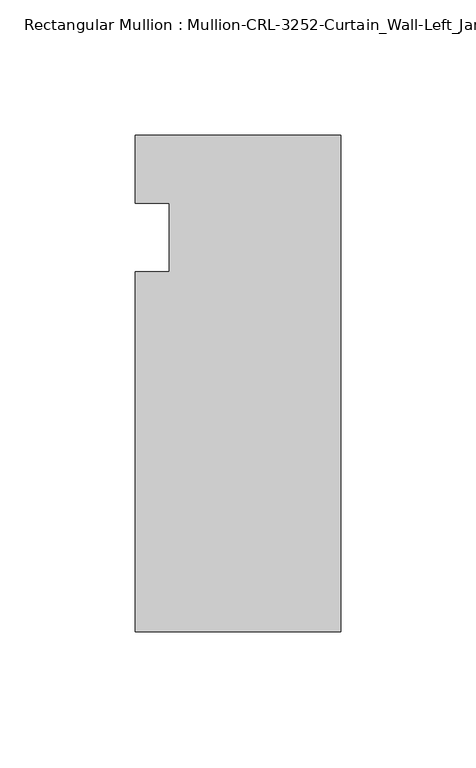
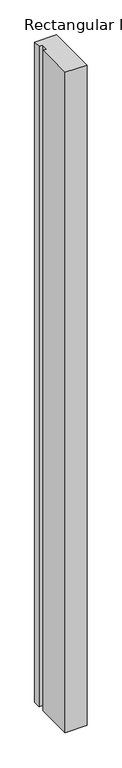
"""IFC4 building model written with IfcOpenShell, lengths in millimetres: member geometry, Rectangular Mullion : Mullion-CRL-3252-Curtain_Wall-Left_Jamb."""

from ifc_helpers import new_model, si_unit, frame, origin, place, context, project, spatial, polyline, outline, extrude, source, transform, mapped, element, save


def rectangular_mullion_mullion_crl_3252_curtain_wall_left_jamb_60e83262(model_context):
    return source(origin(), model_context, "Body", "SweptSolid", [
        extrude(outline(polyline([(0.0, 37.8626457), (0.0, -146.0054758), (-76.2018563, -146.0054758), (-76.2018563, -12.7), (-63.4961173, -12.7), (-63.4961173, 12.7), (-76.2018563, 12.7), (-76.2018563, 37.8626457), (0.0, 37.8626457)])), frame((0.0, 0.0, -2438.1023438), z_axis=(0.0, 0.0, 1.0), x_axis=(1.0, 0.0, 0.0)), (0.0, 0.0, 1.0), 2438.1023438),
    ])


if __name__ == "__main__":
    model = new_model("IFC4")
    model_context = context("Model", 3, world=origin())
    ifc_project = project(units=[si_unit("LENGTHUNIT", "METRE", prefix="MILLI")], contexts=[model_context])
    site = spatial("IfcSite", under=ifc_project)
    building = spatial("IfcBuilding", under=site)
    placement = place(None, origin())
    rectangular_mullion_mullion_crl_3252_curtain_wall_left_jamb_shape = rectangular_mullion_mullion_crl_3252_curtain_wall_left_jamb_60e83262(model_context)
    element("IfcMember", 1, ObjectType="Rectangular Mullion : Mullion-CRL-3252-Curtain_Wall-Left_Jamb", at=placement, inside=building, context=model_context, shape_type="MappedRepresentation", body=[
        mapped(rectangular_mullion_mullion_crl_3252_curtain_wall_left_jamb_shape, transform((0.0, 0.0, 0.0), x_axis=(1.0, 0.0, 0.0), y_axis=(0.0, 1.0, 0.0), z_axis=(0.0, 0.0, 1.0))),
    ])
    save(model, "model.ifc")
